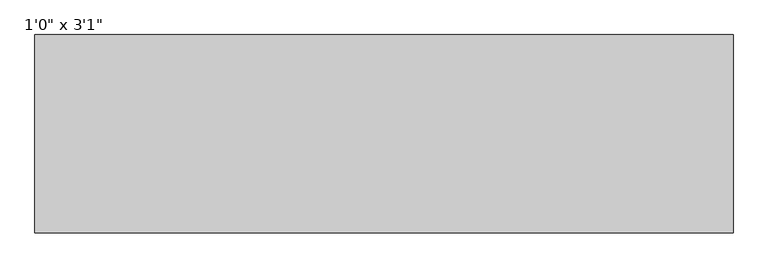
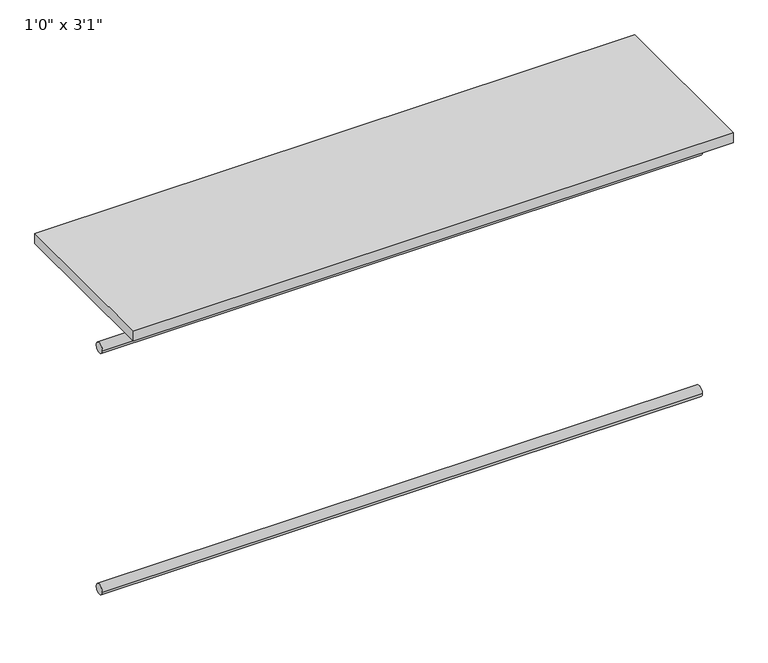
"""IFC4 building model written with IfcOpenShell, lengths in millimetres: furniture geometry."""

from ifc_helpers import new_model, si_unit, point, frame, frame_2d, origin, origin_with_axes, place, context, project, spatial, polyline, circle_curve, trimmed, segment, composite_curve, outline, extrude, source, transform, mapped, element, save


def furniture_5d3bddcc(model_context):
    return source(origin(), model_context, "Body", "SweptSolid", [
        extrude(outline(composite_curve([segment(trimmed(circle_curve(frame_2d((342.9, -711.2)), 12.7), [point((330.2, -711.2))], [point((355.6, -711.2))], False, "CARTESIAN"), True, "CONTINUOUS"), segment(trimmed(circle_curve(frame_2d((342.9, -711.2)), 12.7), [point((355.6, -711.2))], [point((330.2, -711.2))], False, "CARTESIAN"), True, "CONTINUOUS")], self_intersect=False)), frame((-697.2247951, 0.0, 0.0), z_axis=(1.0, 0.0, 0.0), x_axis=(0.0, 1.0, 0.0)), (0.0, 0.0, 1.0), 1431.925),
        extrude(outline(composite_curve([segment(trimmed(circle_curve(frame_2d((342.9, -101.6)), 12.7), [point((330.2, -101.6))], [point((355.6, -101.6))], False, "CARTESIAN"), True, "CONTINUOUS"), segment(trimmed(circle_curve(frame_2d((342.9, -101.6)), 12.7), [point((355.6, -101.6))], [point((330.2, -101.6))], False, "CARTESIAN"), True, "CONTINUOUS")], self_intersect=False)), frame((-697.2247951, 0.0, 0.0), z_axis=(1.0, 0.0, 0.0), x_axis=(0.0, 1.0, 0.0)), (0.0, 0.0, 1.0), 1431.925),
        extrude(outline(polyline([(734.7002049, 203.2), (-697.2247951, 203.2), (-697.2247951, 609.6), (734.7002049, 609.6), (734.7002049, 203.2)])), origin_with_axes(), (0.0, 0.0, 1.0), 25.4),
    ])


if __name__ == "__main__":
    model = new_model("IFC4")
    model_context = context("Model", 3, world=origin())
    ifc_project = project(units=[si_unit("LENGTHUNIT", "METRE", prefix="MILLI")], contexts=[model_context])
    site = spatial("IfcSite", under=ifc_project)
    building = spatial("IfcBuilding", under=site)
    placement = place(None, origin())
    furniture_shape = furniture_5d3bddcc(model_context)
    element("IfcFurniture", 1, ObjectType="1'0\" x 3'1\"", at=placement, inside=building, context=model_context, shape_type="MappedRepresentation", body=[
        mapped(furniture_shape, transform((0.0, 0.0, 0.0), x_axis=(1.0, 0.0, 0.0), y_axis=(0.0, 1.0, 0.0), z_axis=(0.0, 0.0, 1.0))),
    ])
    save(model, "model.ifc")
